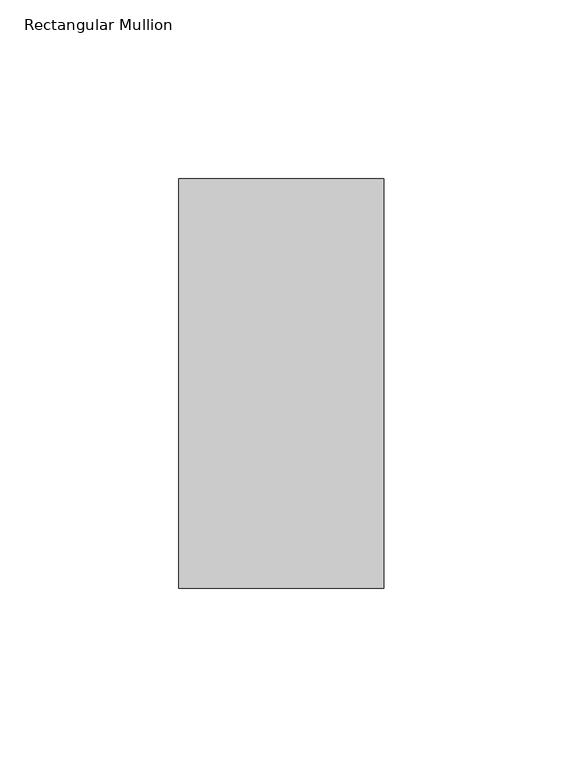
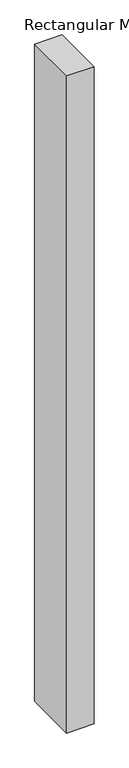
"""IFC4 building model written with IfcOpenShell, lengths in millimetres: member geometry, Rectangular Mullion."""

from ifc_helpers import new_model, si_unit, frame, origin, place, context, project, spatial, polyline, outline, extrude, source, transform, mapped, element, save


def rectangular_mullion_1aaa4fa9(model_context):
    return source(origin(), model_context, "Body", "SweptSolid", [
        extrude(outline(polyline([(-57.15, -57.15), (-57.15, 57.15), (0.0, 57.15), (0.0, -57.15), (-57.15, -57.15)])), frame((0.0, 0.0, -1441.45), z_axis=(0.0, 0.0, 1.0), x_axis=(1.0, 0.0, 0.0)), (0.0, 0.0, 1.0), 1441.45),
    ])


if __name__ == "__main__":
    model = new_model("IFC4")
    model_context = context("Model", 3, world=origin())
    ifc_project = project(units=[si_unit("LENGTHUNIT", "METRE", prefix="MILLI")], contexts=[model_context])
    site = spatial("IfcSite", under=ifc_project)
    building = spatial("IfcBuilding", under=site)
    placement = place(None, origin())
    rectangular_mullion_shape = rectangular_mullion_1aaa4fa9(model_context)
    element("IfcMember", 1, ObjectType="Rectangular Mullion", at=placement, inside=building, context=model_context, shape_type="MappedRepresentation", body=[
        mapped(rectangular_mullion_shape, transform((0.0, 0.0, 0.0), x_axis=(1.0, 0.0, 0.0), y_axis=(0.0, 1.0, 0.0), z_axis=(0.0, 0.0, 1.0))),
    ])
    save(model, "model.ifc")
